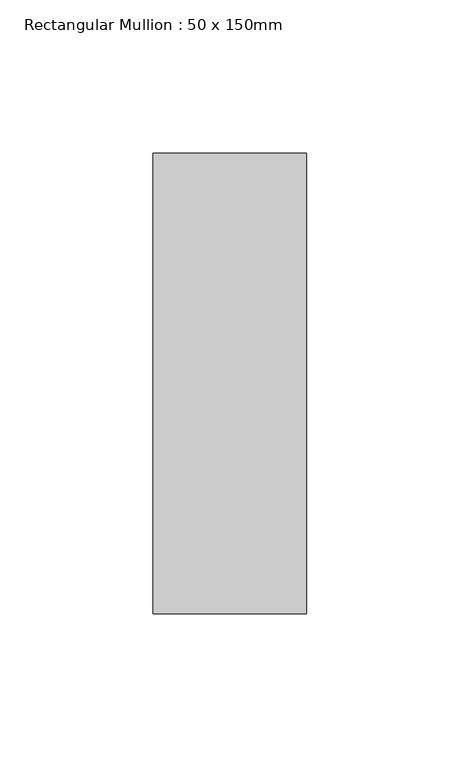
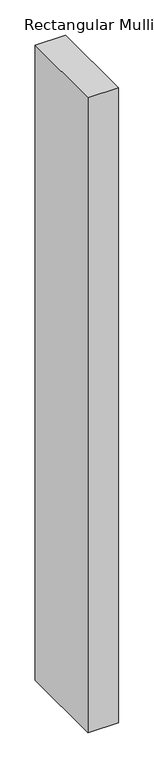
"""IFC4 building model written with IfcOpenShell, lengths in millimetres: member geometry, Rectangular Mullion : 50 x 150mm."""

from ifc_helpers import new_model, si_unit, frame, origin, place, context, project, spatial, polyline, outline, extrude, source, transform, mapped, element, save


def rectangular_mullion_50_x_150mm_55de7957(model_context):
    return source(origin(), model_context, "Body", "SweptSolid", [
        extrude(outline(polyline([(0.0, 75.0), (0.0, -75.0), (-50.0, -75.0), (-50.0, 75.0), (0.0, 75.0)])), frame((0.0, 0.0, -1098.3333333), z_axis=(0.0, 0.0, 1.0), x_axis=(1.0, 0.0, 0.0)), (0.0, 0.0, 1.0), 1098.3333333),
    ])


if __name__ == "__main__":
    model = new_model("IFC4")
    model_context = context("Model", 3, world=origin())
    ifc_project = project(units=[si_unit("LENGTHUNIT", "METRE", prefix="MILLI")], contexts=[model_context])
    site = spatial("IfcSite", under=ifc_project)
    building = spatial("IfcBuilding", under=site)
    placement = place(None, origin())
    rectangular_mullion_50_x_150mm_shape = rectangular_mullion_50_x_150mm_55de7957(model_context)
    element("IfcMember", 1, ObjectType="Rectangular Mullion : 50 x 150mm", at=placement, inside=building, context=model_context, shape_type="MappedRepresentation", body=[
        mapped(rectangular_mullion_50_x_150mm_shape, transform((0.0, 0.0, 0.0), x_axis=(1.0, 0.0, 0.0), y_axis=(0.0, 1.0, 0.0), z_axis=(0.0, 0.0, 1.0))),
    ])
    save(model, "model.ifc")
